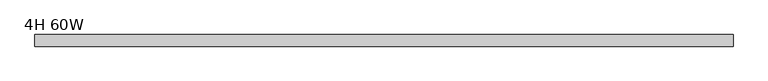
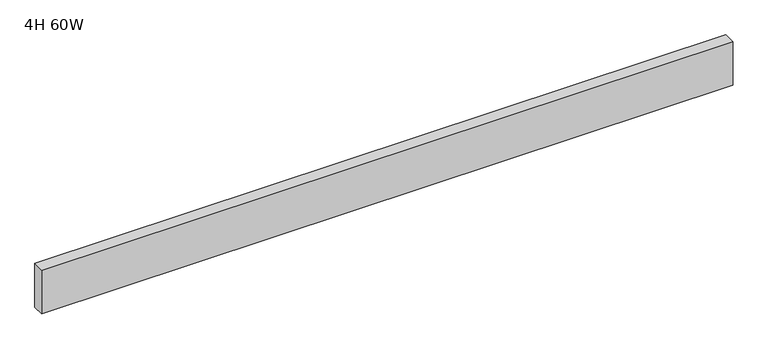
"""IFC4 building model written with IfcOpenShell, lengths in millimetres: furniture geometry, 4H 60W."""

from ifc_helpers import new_model, si_unit, frame, origin, place, context, project, spatial, polyline, outline, extrude, source, transform, mapped, element, save


def furniture_4h_60w_6ad93434(model_context):
    return source(origin(), model_context, "Body", "SweptSolid", [
        extrude(outline(polyline([(1524.0, 0.0), (1524.0, -25.4), (0.0, -25.4), (0.0, 0.0), (1524.0, 0.0)])), frame((0.0, 0.0, 863.6), z_axis=(0.0, 0.0, 1.0), x_axis=(1.0, 0.0, 0.0)), (0.0, 0.0, 1.0), 101.6),
    ])


if __name__ == "__main__":
    model = new_model("IFC4")
    model_context = context("Model", 3, world=origin())
    ifc_project = project(units=[si_unit("LENGTHUNIT", "METRE", prefix="MILLI")], contexts=[model_context])
    site = spatial("IfcSite", under=ifc_project)
    building = spatial("IfcBuilding", under=site)
    placement = place(None, origin())
    furniture_4h_60w_shape = furniture_4h_60w_6ad93434(model_context)
    element("IfcFurniture", 1, ObjectType="4H 60W", at=placement, inside=building, context=model_context, shape_type="MappedRepresentation", body=[
        mapped(furniture_4h_60w_shape, transform((0.0, 0.0, 0.0), x_axis=(1.0, 0.0, 0.0), y_axis=(0.0, 1.0, 0.0), z_axis=(0.0, 0.0, 1.0))),
    ])
    save(model, "model.ifc")
